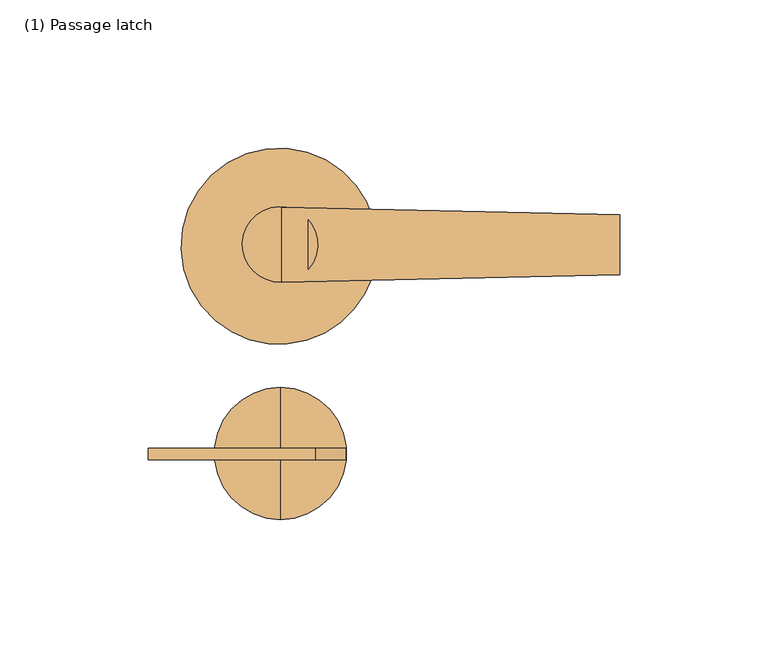
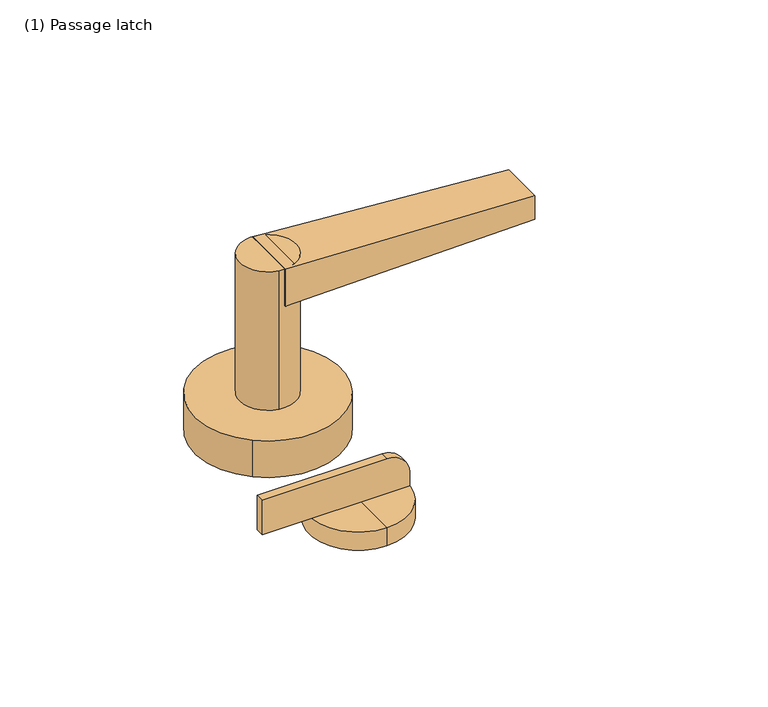
"""IFC4 building model written with IfcOpenShell, lengths in millimetres: door geometry, (1) Passage latch."""

from ifc_helpers import new_model, si_unit, point, frame, frame_2d, origin, origin_with_axes, place, context, project, spatial, polyline, circle_curve, trimmed, segment, composite_curve, outline, extrude, source, transform, mapped, element, save
from ifc_brep_helpers import plane_surface, cylinder_surface, spline_surface, advanced_brep


def door_1_passage_latch_fcdd1c10(model_context):
    return source(origin(), model_context, "Body", "SolidModel", [
        advanced_brep(
        [(113.0826159, 9.8661661, 77.089), (113.0826159, -10.4783486, 77.089), (113.0826159, -10.4783486, 65.659), (113.0826159, 9.8661661, 65.659), (-0.79375, 12.3783123, 83.439), (-0.79375, 12.378509, 65.659), (-0.79375, -13.0089229, 65.659), (-0.79375, -13.0118705, 83.439)],
        [
            (0, 1),
            (1, 2),
            (2, 3),
            (3, 0),
            (4, 5),
            (5, 6),
            (6, 7),
            (7, 4),
            (4, 0),
            (3, 5),
            (2, 6),
            (1, 7),
        ],
        [
            plane_surface(frame((113.0826159, -0.3060912, 71.374), z_axis=(1.0, 0.0, 0.0), x_axis=(0.0, 1.0, 0.0))),
            plane_surface(frame((-0.79375, -0.315993, 74.549), z_axis=(-1.0000000000000002, 0.0, 0.0), x_axis=(0.0, 1.1064247386625775e-05, -0.9999999999387913))),
            spline_surface(1, 1, [[(-0.79375, 12.3783123, 83.439), (-0.79375, 12.378509, 65.659)], [(113.0826159, 9.8661661, 77.089), (113.0826159, 9.8661661, 65.659)]], [2, 2], [2, 2], [0.0, 1.0], [0.0, 1.0]),
            plane_surface(frame((-0.79375, -0.315207, 65.659), z_axis=(0.0, 0.0, -1.0), x_axis=(0.0, -1.0, 0.0))),
            spline_surface(1, 1, [[(-0.79375, -13.0089229, 65.659), (-0.79375, -13.0118705, 83.439)], [(113.0826159, -10.4783486, 65.659), (113.0826159, -10.4783486, 77.089)]], [2, 2], [2, 2], [0.0, 1.0], [0.0, 1.0]),
            plane_surface(frame((-0.79375, -0.3167791, 83.439), z_axis=(0.05567573642750613, 0.0, 0.9984489032360419), x_axis=(0.0, 1.0, 0.0))),
        ],
        [
            (0, [[1, 2, 3, 4]]),
            (1, [[5, 6, 7, 8]]),
            (2, [[9, -4, 10, -5]]),
            (3, [[-10, -3, 11, -6]]),
            (4, [[-11, -2, 12, -7]]),
            (5, [[-12, -1, -9, -8]]),
        ],
    ),
        extrude(outline(composite_curve([segment(trimmed(circle_curve(frame_2d((-1.3064074, -0.1984375)), 12.7), [point((-3.427265, -12.7200973))], [point((0.8144502, 12.3232223))], False, "CARTESIAN"), True, "CONTINUOUS"), segment(trimmed(circle_curve(frame_2d((-1.3064074, -0.1984375)), 12.7), [point((0.8144502, 12.3232223))], [point((-3.427265, -12.7200973))], False, "CARTESIAN"), True, "CONTINUOUS")], self_intersect=False)), frame((0.0, 0.0, 17.399), z_axis=(0.0, 0.0, 1.0), x_axis=(1.0, 0.0, 0.0)), (0.0, 0.0, 1.0), 66.04),
        extrude(outline(composite_curve([segment(trimmed(circle_curve(frame_2d((-1.6178614, -0.7745191)), 33.02), [point((-22.9508261, -25.9781898))], [point((19.7151032, 24.4291516))], False, "CARTESIAN"), True, "CONTINUOUS"), segment(trimmed(circle_curve(frame_2d((-1.6178614, -0.7745191)), 33.02), [point((19.7151032, 24.4291516))], [point((-22.9508261, -25.9781898))], False, "CARTESIAN"), True, "CONTINUOUS")], self_intersect=False)), origin_with_axes(), (0.0, 0.0, 1.0), 17.399),
        extrude(outline(composite_curve([segment(polyline([(25.146, 10.6467926), (25.146, -45.6833325), (8.636, -45.6833325), (8.636, 20.8690339), (15.3233, 20.8690339)]), True, "CONTINUOUS"), segment(trimmed(circle_curve(frame_2d((14.9632029, 10.6925033)), 10.1828997), [point((15.3233, 20.8690339))], [point((25.146, 10.6467926))], False, "CARTESIAN"), True, "CONTINUOUS")], self_intersect=False)), frame((0.0, -72.6889197, 0.0), z_axis=(0.0, 1.0, 0.0), x_axis=(0.0, 0.0, 1.0)), (0.0, 0.0, 1.0), 3.81),
        advanced_brep(
        [(-1.190625, -92.8715961, 8.636), (-1.190625, -70.6303498, 8.636), (-1.190625, -48.3891034, 8.636), (-1.190625, -92.8715961, 0.0), (-1.190625, -48.3891034, 0.0), (-1.190625, -70.6303498, 0.0)],
        [
            (0, 1),
            (1, 2),
            (2, 0, circle_curve(frame((-1.190625, -70.6303498, 8.636), z_axis=(0.0, 0.0, 1.0), x_axis=(0.0, 1.0, 0.0)), 22.2412463)),
            (0, 2, circle_curve(frame((-1.190625, -70.6303498, 8.636), z_axis=(0.0, 0.0, 1.0), x_axis=(0.0, 1.0, 0.0)), 22.2412463)),
            (3, 0),
            (2, 4),
            (4, 3, circle_curve(frame((-1.190625, -70.6303498, 0.0), z_axis=(0.0, 0.0, 1.0), x_axis=(0.0, 1.0, 0.0)), 22.2412463)),
            (3, 4, circle_curve(frame((-1.190625, -70.6303498, 0.0), z_axis=(0.0, 0.0, 1.0), x_axis=(0.0, 1.0, 0.0)), 22.2412463)),
            (5, 3),
            (4, 5),
        ],
        [
            plane_surface(frame((-1.190625, -70.6303498, 8.636), z_axis=(0.0, 0.0, 1.0), x_axis=(0.0, 1.0, 0.0))),
            cylinder_surface(frame((-1.190625, -70.6303498, 76.2), z_axis=(0.0, 0.0, -1.0), x_axis=(0.0, 1.0, 0.0)), 22.2412463),
            plane_surface(frame((-1.190625, -70.6303498, 0.0), z_axis=(0.0, 0.0, -1.0), x_axis=(0.0, 1.0, 0.0))),
        ],
        [
            (0, [[1, 2, 3]]),
            (0, [[-2, -1, 4]]),
            (1, [[5, -3, 6, 7]]),
            (1, [[-6, -4, -5, 8]]),
            (2, [[9, -7, 10]]),
            (2, [[-10, -8, -9]]),
        ],
    ),
    ])


if __name__ == "__main__":
    model = new_model("IFC4")
    model_context = context("Model", 3, world=origin())
    ifc_project = project(units=[si_unit("LENGTHUNIT", "METRE", prefix="MILLI")], contexts=[model_context])
    site = spatial("IfcSite", under=ifc_project)
    building = spatial("IfcBuilding", under=site)
    placement = place(None, origin())
    door_1_passage_latch_shape = door_1_passage_latch_fcdd1c10(model_context)
    element("IfcDoor", 1, ObjectType="(1) Passage latch", at=placement, inside=building, context=model_context, shape_type="MappedRepresentation", body=[
        mapped(door_1_passage_latch_shape, transform((0.0, 0.0, 0.0), x_axis=(1.0, 0.0, 0.0), y_axis=(0.0, 1.0, 0.0), z_axis=(0.0, 0.0, 1.0))),
    ])
    save(model, "model.ifc")
